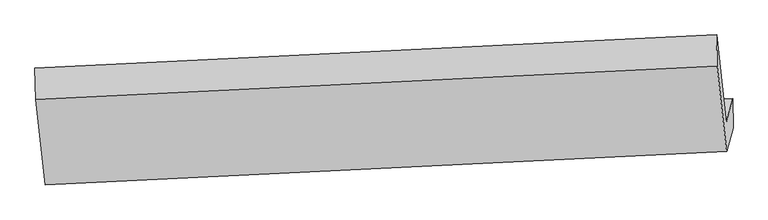
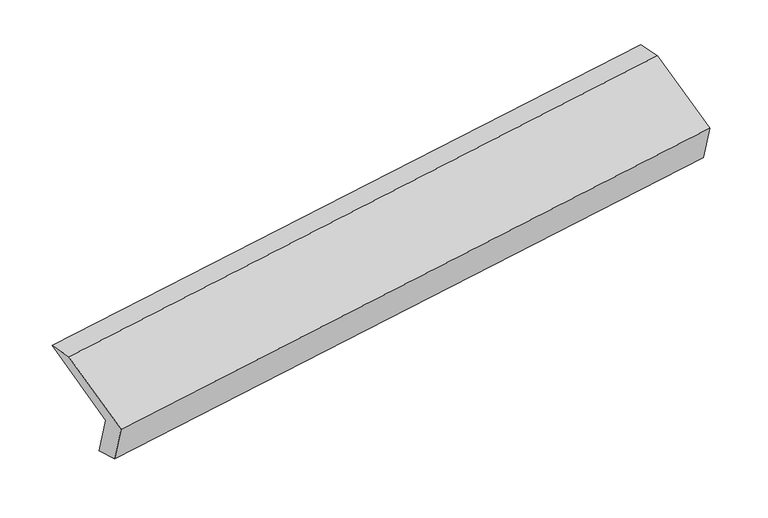
"""IFC4 building model written with IfcOpenShell, lengths in millimetres: proxy geometry."""

from ifc_helpers import new_model, si_unit, origin, place, context, project, spatial, faceted_brep, source, transform, mapped, element, save


def generic_models_04c838b9(model_context):
    return source(origin(), model_context, "Body", "Brep", [
        faceted_brep([(-5183.5742113, -1608.8035077, 1219.227299), (-5229.3690074, -1778.0835267, 1589.9585933), (-480.6206216, -1546.0181986, 2282.5140678), (-434.8258255, -1376.7381796, 1911.7827735), (-5182.1573137, -1814.2907888, 1275.9968035), (-433.4089279, -1582.2254606, 1968.552278), (-5226.8354777, -1979.4431879, 1637.6884138), (-478.0870919, -1747.3778597, 2330.2438882), (-5292.9345759, -1384.7246789, 1901.0785491), (-544.1861901, -1152.6593508, 2593.6340236), (-5297.4901525, -1165.1718996, 1861.4061337), (-548.7417667, -933.1065714, 2553.9616082)], [[[0, 1, 2, 3]], [[4, 0, 3, 5]], [[6, 4, 5, 7]], [[8, 6, 7, 9]], [[10, 8, 9, 11]], [[1, 10, 11, 2]], [[9, 7, 5, 3, 2, 11]], [[1, 0, 4, 6, 8, 10]]]),
    ])


if __name__ == "__main__":
    model = new_model("IFC4")
    model_context = context("Model", 3, world=origin())
    ifc_project = project(units=[si_unit("LENGTHUNIT", "METRE", prefix="MILLI")], contexts=[model_context])
    site = spatial("IfcSite", under=ifc_project)
    building = spatial("IfcBuilding", under=site)
    placement = place(None, origin())
    generic_models_shape = generic_models_04c838b9(model_context)
    element("IfcBuildingElementProxy", 1, Name="Generic Models", at=placement, inside=building, context=model_context, shape_type="MappedRepresentation", body=[
        mapped(generic_models_shape, transform((0.0, 0.0, 0.0), x_axis=(1.0, 0.0, 0.0), y_axis=(0.0, 1.0, 0.0), z_axis=(0.0, 0.0, 1.0))),
    ])
    save(model, "model.ifc")
